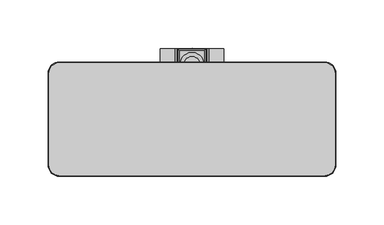
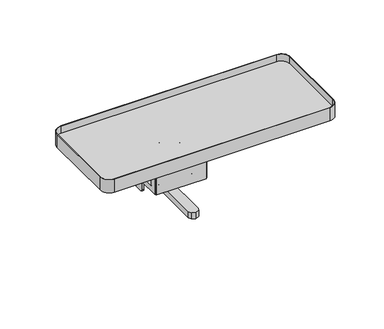
"""IFC4 building model written with IfcOpenShell, lengths in millimetres: furniture geometry."""

from ifc_helpers import new_model, si_unit, point, frame, frame_2d, origin, place, context, project, spatial, polyline, circle_curve, ellipse_curve, trimmed, segment, composite_curve, outline, extrude, source, transform, mapped, element, save
from ifc_brep_helpers import plane_surface, cylinder_surface, revolved_surface, advanced_brep


def furniture_89a75030(model_context):
    return source(origin(), model_context, "Body", "SolidModel", [
        extrude(outline(polyline([(534.3526016, 876.8341572), (536.054079, 873.8871119), (536.054079, 870.4841572), (534.3526016, 867.5371119), (531.4055563, 865.8356345), (528.0026016, 865.8356345), (525.0555563, 867.5371119), (523.354079, 870.4841572), (523.354079, 873.8871119), (525.0555563, 876.8341572), (528.0026016, 878.5356345), (531.4055563, 878.5356345), (534.3526016, 876.8341572)])), frame((0.0, 0.0, 981.2878959), z_axis=(0.0, 0.0, 1.0), x_axis=(1.0, 0.0, 0.0)), (0.0, 0.0, 1.0), 21.0640086),
        extrude(outline(polyline([(523.354079, 814.4464769), (523.354079, 877.9468656), (524.8439994, 881.5438517), (529.704079, 883.5569625), (534.5641586, 881.5438517), (536.054079, 877.9468656), (536.054079, 814.4464769), (534.5641586, 810.8494909), (529.704079, 808.83638), (524.8439994, 810.8494909), (523.354079, 814.4464769)])), frame((0.0, 0.0, 972.9618797), z_axis=(0.0, 0.0, 1.0), x_axis=(1.0, 0.0, 0.0)), (0.0, 0.0, 1.0), 8.3260161),
        advanced_brep(
        [(527.2728649, 866.9451421, 1028.4561643), (532.1300001, 866.9451421, 1028.4561643), (532.1300001, 866.9451421, 1027.2658445), (527.2728649, 866.9451421, 1027.2658445), (518.8007133, 866.9451421, 1028.4561643), (540.6021517, 866.9451421, 1028.4561643), (517.5078513, 866.9451421, 1037.2747882), (541.8950137, 866.9451421, 1037.2747882), (541.8950137, 866.9451421, 1029.7490263), (517.5078513, 866.9451421, 1029.7490263), (529.7014325, 866.9451421, 1041.4655546), (537.7042473, 866.9451421, 1041.4655546), (521.6986177, 866.9451421, 1041.4655546), (529.7014325, 866.9451421, 1027.2658445)],
        [
            (0, 1, circle_curve(frame((529.7014325, 866.9451421, 1028.4561643), z_axis=(0.0, 0.0, -1.0), x_axis=(1.0000000000000016, 0.0, 0.0)), 2.4285676)),
            (1, 2),
            (2, 3, circle_curve(frame((529.7014325, 866.9451421, 1027.2658445), z_axis=(0.0, 0.0, 1.0), x_axis=(1.0000000000000016, 0.0, 0.0)), 2.4285676)),
            (3, 0),
            (1, 0, circle_curve(frame((529.7014325, 866.9451421, 1028.4561643), z_axis=(0.0, 0.0, -1.0), x_axis=(1.0000000000000016, 0.0, 0.0)), 2.4285676)),
            (3, 2, circle_curve(frame((529.7014325, 866.9451421, 1027.2658445), z_axis=(0.0, 0.0, 1.0), x_axis=(1.0000000000000016, 0.0, 0.0)), 2.4285676)),
            (4, 5, circle_curve(frame((529.7014325, 866.9451421, 1028.4561643), z_axis=(0.0, 0.0, -1.0), x_axis=(1.0000000000000016, 0.0, 0.0)), 10.9007192)),
            (5, 1),
            (0, 4),
            (5, 4, circle_curve(frame((529.7014325, 866.9451421, 1028.4561643), z_axis=(0.0, 0.0, -1.0), x_axis=(1.0000000000000016, 0.0, 0.0)), 10.9007192)),
            (6, 7, circle_curve(frame((529.7014325, 866.9451421, 1037.2747882), z_axis=(0.0, 0.0, -1.0), x_axis=(1.0000000000000016, 0.0, 0.0)), 12.1935812)),
            (7, 8),
            (8, 9, circle_curve(frame((529.7014325, 866.9451421, 1029.7490263), z_axis=(0.0, 0.0, 1.0), x_axis=(1.0000000000000016, 0.0, 0.0)), 12.1935812)),
            (9, 6),
            (7, 6, circle_curve(frame((529.7014325, 866.9451421, 1037.2747882), z_axis=(0.0, 0.0, -1.0), x_axis=(1.0000000000000016, 0.0, 0.0)), 12.1935812)),
            (9, 8, circle_curve(frame((529.7014325, 866.9451421, 1029.7490263), z_axis=(0.0, 0.0, 1.0), x_axis=(1.0000000000000016, 0.0, 0.0)), 12.1935812)),
            (10, 11),
            (11, 12, circle_curve(frame((529.7014325, 866.9451421, 1041.4655546), z_axis=(0.0, 0.0, 1.0), x_axis=(1.0000000000000016, 0.0, 0.0)), 8.0028148)),
            (12, 10),
            (12, 11, circle_curve(frame((529.7014325, 866.9451421, 1041.4655546), z_axis=(0.0, 0.0, 1.0), x_axis=(1.0000000000000016, 0.0, 0.0)), 8.0028148)),
            (2, 13),
            (13, 3),
            (8, 5, circle_curve(frame((540.6021517, 866.9451421, 1029.7490263), z_axis=(0.0, 1.0000000000000016, 0.0), x_axis=(1.0000000000000016, 0.0, 0.0)), 1.292862)),
            (4, 9, circle_curve(frame((518.8007133, 866.9451421, 1029.7490263), z_axis=(0.0, 1.0000000000000016, 0.0), x_axis=(-1.0000000000000016, 0.0, 0.0)), 1.292862)),
            (11, 7, circle_curve(frame((537.7042473, 866.9451421, 1037.2747882), z_axis=(0.0, 1.0000000000000016, 0.0), x_axis=(1.0000000000000016, 0.0, 0.0)), 4.1907665)),
            (6, 12, circle_curve(frame((521.6986177, 866.9451421, 1037.2747882), z_axis=(0.0, 1.0000000000000016, 0.0), x_axis=(-1.0000000000000016, 0.0, 0.0)), 4.1907665)),
        ],
        [
            cylinder_surface(frame((529.7014325, 866.9451421, 1061.5832348), z_axis=(0.0, 0.0, 1.0), x_axis=(1.0000000000000016, 0.0, 0.0)), 2.4285676),
            plane_surface(frame((529.7014325, 866.9451421, 1028.4561643), z_axis=(0.0, 0.0, -1.0), x_axis=(1.0, 0.0, 0.0))),
            cylinder_surface(frame((529.7014325, 866.9451421, 1061.5832348), z_axis=(0.0, 0.0, 1.0), x_axis=(1.0000000000000016, 0.0, 0.0)), 12.1935812),
            plane_surface(frame((529.7014325, 866.9451421, 1041.4655546), z_axis=(0.0, 0.0, 1.0), x_axis=(1.0, 0.0, 0.0))),
            plane_surface(frame((529.7014325, 866.9451421, 1027.2658445), z_axis=(0.0, 0.0, -1.0), x_axis=(1.0, 0.0, 0.0))),
            revolved_surface(trimmed(ellipse_curve(frame((540.6021517, 866.9451421, 1029.7490263), z_axis=(0.0, -1.0000000000000016, 0.0), x_axis=(1.0000000000000016, 0.0, 0.0)), 1.292862, 1.292862), [point((540.6021517, 866.9451421, 1028.4561643))], [point((541.8950137, 866.9451421, 1029.7490263))], True, "CARTESIAN"), (529.7014325, 866.9451421, 1061.5832348), (0.0, 0.0, 1.0)),
            revolved_surface(trimmed(ellipse_curve(frame((537.7042473, 866.9451421, 1037.2747882), z_axis=(0.0, -1.0000000000000016, 0.0), x_axis=(1.0000000000000016, 0.0, 0.0)), 4.1907665, 4.1907665), [point((541.8950137, 866.9451421, 1037.2747882))], [point((537.7042473, 866.9451421, 1041.4655546))], True, "CARTESIAN"), (529.7014325, 866.9451421, 1061.5832348), (0.0, 0.0, 1.0)),
        ],
        [
            (0, [[1, 2, 3, 4]]),
            (0, [[5, -4, 6, -2]]),
            (1, [[7, 8, -1, 9]]),
            (1, [[10, -9, -5, -8]]),
            (2, [[11, 12, 13, 14]]),
            (2, [[15, -14, 16, -12]]),
            (3, [[17, 18, 19]]),
            (3, [[-19, 20, -17]]),
            (4, [[-3, 21, 22]]),
            (4, [[-6, -22, -21]]),
            (5, [[-13, 23, -7, 24]]),
            (5, [[-16, -24, -10, -23]]),
            (6, [[-18, 25, -11, 26]]),
            (6, [[-20, -26, -15, -25]]),
        ],
    ),
        advanced_brep(
        [(485.603641, 844.5201081, 1098.32775), (485.603641, 844.1597528, 1098.32775), (488.1695816, 795.1986989, 1098.32775), (507.9458637, 810.4407767, 1098.32775), (508.8174555, 835.3997695, 1098.32775), (510.2470137, 838.6622239, 1098.32775), (514.7660164, 840.2698211, 1098.32775), (516.9151013, 839.5801768, 1098.32775), (516.9372011, 840.2130323, 1098.32775), (517.1490705, 840.2130323, 1098.32775), (517.1490705, 851.1575897, 1098.32775), (491.9283771, 851.1575897, 1098.32775), (487.3222692, 849.1786517, 1098.32775), (573.8045169, 844.1597533, 1098.32775), (573.8045169, 844.5201081, 1098.32775), (572.0858887, 849.1786517, 1098.32775), (567.4797808, 851.1575897, 1098.32775), (542.265389, 851.1575897, 1098.32775), (542.265389, 840.2130323, 1098.32775), (542.4709568, 840.2130323, 1098.32775), (542.4930566, 839.5801768, 1098.32775), (544.6421405, 840.2698215, 1098.32775), (549.1611443, 838.6622239, 1098.32775), (550.5907025, 835.3997695, 1098.32775), (551.4622943, 810.4407767, 1098.32775), (571.2385764, 795.1986989, 1098.32775), (573.8045169, 844.1597533, 1086.9393735), (573.8045169, 844.5201081, 1086.9393735), (511.9635891, 883.1448413, 1004.560055), (514.6029708, 883.1448413, 1007.1994367), (514.6029708, 883.1448413, 1025.1207529), (544.8051871, 883.1448413, 1025.1207529), (544.8051871, 883.1448413, 1007.1994367), (547.4445689, 883.1448413, 1004.560055), (562.8804089, 883.1448413, 1004.560055), (562.8804089, 883.1448413, 983.3691126), (496.527749, 883.1448413, 983.3691126), (496.527749, 883.1448413, 1004.560055), (485.603641, 844.5201081, 1086.9393735), (485.603641, 844.1597528, 1086.9393735), (569.3544231, 787.5374049, 1088.7868386), (570.910493, 788.9384966, 1088.7379115), (570.910493, 788.9384966, 1094.9478319), (569.3544231, 787.5374049, 1094.9478319), (564.6025334, 787.7799742, 1088.7783679), (564.6025334, 787.7799742, 1094.9478319), (543.5144003, 810.3327891, 1087.9908081), (563.4600751, 787.9252907, 1094.9478319), (563.4600751, 787.9252907, 1092.7397656), (546.9859192, 798.838226, 1092.7397656), (546.9859192, 798.838226, 1094.9478319), (543.7515291, 807.7246389, 1094.9478319), (543.7515291, 807.7246389, 1092.7397656), (543.5144003, 810.3327891, 1092.7397656), (542.4709568, 840.2130323, 1086.9473693), (542.4930566, 839.5801768, 1092.7397656), (542.265389, 840.2130323, 1086.9473693), (516.9372011, 840.2130323, 1086.9473693), (517.1490705, 840.2130323, 1086.9473693), (516.9151013, 839.5801768, 1092.7397656), (515.8937576, 810.3327891, 1092.7397656), (515.8937576, 810.3327891, 1087.9908081), (494.8056245, 787.7799742, 1088.7783679), (515.6566288, 807.7246389, 1092.7397656), (515.6566288, 807.7246389, 1094.9478319), (512.4222388, 798.838226, 1094.9478319), (512.4222388, 798.838226, 1092.7397656), (495.9480829, 787.9252907, 1092.7397656), (495.9480829, 787.9252907, 1094.9478319), (494.8056245, 787.7799742, 1094.9478319), (490.0537349, 787.5374049, 1088.7868386), (490.0537349, 787.5374049, 1094.9478319), (488.4976649, 788.9384966, 1088.7379115), (488.4976649, 788.9384966, 1094.9478319), (485.7984801, 840.4420028, 1086.9393735), (488.3584524, 791.5948303, 1094.9478319), (488.3584524, 791.5948303, 1092.7397656), (488.1695816, 795.1986989, 1092.7397656), (573.6096779, 840.4420028, 1086.9393735), (571.2385764, 795.1986989, 1092.7397656), (571.0497056, 791.5948303, 1092.7397656), (571.0497056, 791.5948303, 1094.9478319), (516.7480625, 851.1575897, 1027.2658445), (530.5847576, 851.1575897, 1027.2658445), (542.6600954, 851.1575897, 1027.2658445), (542.6600954, 880.9997496, 1027.2658445), (516.7480625, 880.9997496, 1027.2658445), (572.0858887, 849.1786517, 1086.9393735), (569.2304089, 850.4054613, 1086.9393735), (567.4797808, 851.1575897, 1086.6932904), (487.3222692, 849.1786517, 1086.9393735), (491.9283771, 851.1575897, 1086.6932904), (490.177749, 850.4054613, 1086.9393735), (517.1490705, 851.1575897, 1074.9361696), (518.8644199, 851.1575897, 1070.8086459), (523.3400554, 851.1575897, 1068.9633263), (530.5847576, 851.1575897, 1068.9633263), (515.2312536, 851.1575897, 1026.6375617), (514.6029708, 851.1575897, 1025.1207529), (514.6029708, 851.1575897, 1007.1994367), (511.9635891, 851.1575897, 1004.560055), (498.3083774, 851.1575897, 1004.560055), (498.3083774, 851.1575897, 1080.3851486), (496.527749, 851.1575897, 1080.3851486), (496.527749, 851.1575897, 1080.5893735), (562.8804089, 851.1575897, 1080.5893735), (562.8804089, 851.1575897, 1080.3851486), (561.0997805, 851.1575897, 1080.3851486), (561.0997805, 851.1575897, 1004.560055), (547.4445689, 851.1575897, 1004.560055), (544.8051871, 851.1575897, 1007.1994367), (544.8051871, 851.1575897, 1025.1207529), (544.1769043, 851.1575897, 1026.6375617), (536.1028154, 851.1575897, 1068.9633263), (540.6032828, 851.1575897, 1070.8334808), (542.265389, 851.1575897, 1074.8643334), (517.1490705, 840.4420028, 1074.9361696), (517.1490705, 840.4420028, 1086.9393735), (490.177749, 840.4420028, 1086.9393735), (496.527749, 840.4420028, 1080.5893735), (496.527749, 840.4420028, 1080.3851486), (498.3083774, 840.4420028, 1080.3851486), (498.3083774, 840.4420028, 996.9512561), (561.0997805, 840.4420028, 996.9512561), (561.0997805, 840.4420028, 1080.3851486), (562.8804089, 840.4420028, 1080.3851486), (562.8804089, 840.4420028, 1080.5893735), (569.2304089, 840.4420028, 1086.9393735), (542.265389, 840.4420028, 1086.9393735), (542.265389, 840.4420028, 1074.8643334), (540.6032828, 840.4420028, 1070.8334808), (536.1028154, 840.4420028, 1068.9633263), (523.3400554, 840.4420028, 1068.9633263), (518.8644199, 840.4420028, 1070.8086459), (550.5907025, 835.3997695, 1092.7397656), (549.1611443, 838.6622239, 1092.7397656), (544.6421405, 840.2698215, 1092.7397656), (546.6323904, 807.9737129, 1092.7397656), (548.0309368, 806.3697717, 1092.7397656), (549.393243, 802.6268698, 1092.7397656), (549.3528846, 800.4992061, 1092.7397656), (562.4649726, 788.8757666, 1092.7397656), (563.0178496, 790.930817, 1092.7397656), (565.0034339, 791.6964952, 1092.7397656), (566.9949892, 791.5948303, 1092.7397656), (551.4622943, 810.4407767, 1092.7397656), (546.6323904, 807.9737129, 1094.9478319), (548.0309368, 806.3697717, 1094.9478319), (549.393243, 802.6268698, 1094.9478319), (549.3528846, 800.4992061, 1094.9478319), (562.4649726, 788.8757666, 1094.9478319), (563.0178496, 790.930817, 1094.9478319), (565.0034339, 791.6964952, 1094.9478319), (566.9949892, 791.5948303, 1094.9478319), (512.7757676, 807.9737129, 1094.9478319), (511.3772212, 806.3697717, 1094.9478319), (510.0149149, 802.6268698, 1094.9478319), (510.0552733, 800.4992061, 1094.9478319), (496.9431854, 788.8757666, 1094.9478319), (496.3903083, 790.930817, 1094.9478319), (494.404724, 791.6964952, 1094.9478319), (492.4131687, 791.5948303, 1094.9478319), (508.8174555, 835.3997695, 1092.7397656), (507.9458637, 810.4407767, 1092.7397656), (492.4131687, 791.5948303, 1092.7397656), (494.404724, 791.6964952, 1092.7397656), (496.3903083, 790.930817, 1092.7397656), (496.9431854, 788.8757666, 1092.7397656), (510.0552733, 800.4992061, 1092.7397656), (510.0149149, 802.6268698, 1092.7397656), (511.3772212, 806.3697717, 1092.7397656), (512.7757676, 807.9737129, 1092.7397656), (514.7660164, 840.2698211, 1092.7397656), (510.2470137, 838.6622239, 1092.7397656), (496.527749, 849.3769613, 1004.560055), (497.049283, 850.6360557, 1004.560055), (496.527749, 849.3769613, 1080.3851486), (496.527749, 873.1549726, 983.3691126), (496.527749, 870.978774, 985.5453112), (496.527749, 870.978774, 996.9512561), (496.527749, 842.2226312, 996.9512561), (496.527749, 842.2226312, 1080.3851486), (562.8804089, 842.2226312, 1080.3851486), (562.8804089, 842.2226312, 996.9512561), (562.8804089, 870.978774, 996.9512561), (562.8804089, 870.978774, 985.5453112), (562.8804089, 873.1549726, 983.3691126), (562.8804089, 849.3769613, 1004.560055), (562.8804089, 849.3769613, 1080.3851486), (499.2322662, 870.978774, 985.5453112), (499.2322662, 870.978774, 996.9512561), (560.1758917, 870.978774, 996.9512561), (560.1758917, 870.978774, 985.5453112), (519.6355392, 870.978774, 985.5453112), (519.6355392, 870.978774, 996.9512561), (516.0077561, 870.978774, 996.9512561), (516.0077561, 870.978774, 985.5453112), (539.0828719, 870.978774, 996.9512561), (539.0828719, 870.978774, 985.5453112), (543.4004019, 870.978774, 985.5453112), (543.4004019, 870.978774, 996.9512561), (539.0828719, 862.4035457, 996.9512561), (543.4004019, 862.4035457, 996.9512561), (560.1758917, 862.4035457, 996.9512561), (562.3588749, 840.9635368, 996.9512561), (497.049283, 840.9635368, 996.9512561), (499.2322662, 862.4035457, 996.9512561), (516.0077561, 862.4035457, 996.9512561), (519.6355392, 862.4035457, 996.9512561), (560.1758917, 873.1549726, 983.3691126), (560.1758917, 880.2208989, 983.3691126), (543.4004019, 880.2208989, 983.3691126), (543.4004019, 873.1549726, 983.3691126), (539.0828719, 873.1549726, 983.3691126), (539.0828719, 880.2208989, 983.3691126), (519.6355392, 880.2208989, 983.3691126), (519.6355392, 873.1549726, 983.3691126), (516.0077561, 873.1549726, 983.3691126), (516.0077561, 880.2208989, 983.3691126), (499.2322662, 880.2208989, 983.3691126), (499.2322662, 873.1549726, 983.3691126), (539.0828719, 862.4035457, 1002.3519045), (539.0828719, 880.2208989, 1002.3519045), (519.6355392, 880.2208989, 1002.3519045), (519.6355392, 862.4035457, 1002.3519045), (516.0077561, 862.4035457, 1002.3519045), (516.0077561, 880.2208989, 1002.3519045), (499.2322662, 880.2208989, 1002.3519045), (499.2322662, 862.4035457, 1002.3519045), (543.4004019, 880.2208989, 1002.3519045), (543.4004019, 862.4035457, 1002.3519045), (560.1758917, 862.4035457, 1002.3519045), (560.1758917, 880.2208989, 1002.3519045), (497.049283, 840.9635368, 1080.3851486), (497.049283, 850.6360557, 1080.3851486), (562.3588749, 850.6360557, 1004.560055), (562.3588749, 840.9635368, 1080.3851486), (562.3588749, 850.6360557, 1080.3851486), (544.1769043, 882.5165585, 1026.6375617), (515.2312536, 882.5165585, 1026.6375617)],
        [
            (0, 1),
            (1, 2),
            (2, 3, circle_curve(frame((488.3805469, 815.3756741, 1098.32775), z_axis=(0.0, 0.0, 1.0), x_axis=(-1.3720009129422355e-11, -1.0000000000000016, 0.0)), 20.178078)),
            (3, 4),
            (4, 5),
            (5, 6),
            (6, 7, circle_curve(frame((515.3858911, 838.5081532, 1098.32775), z_axis=(0.0, 0.0, -1.0), x_axis=(-1.3720009129422355e-11, -1.0000000000000016, 0.0)), 1.8675434)),
            (7, 8),
            (8, 9),
            (9, 10),
            (10, 11),
            (11, 12),
            (12, 0),
            (13, 14),
            (14, 15),
            (15, 16),
            (16, 17),
            (17, 18),
            (18, 19),
            (19, 20),
            (20, 21, circle_curve(frame((544.0222669, 838.5081532, 1098.32775), z_axis=(0.0, 0.0, -1.0), x_axis=(0.0, -1.0000000000000016, 0.0)), 1.8675434)),
            (21, 22),
            (22, 23),
            (23, 24),
            (24, 25, circle_curve(frame((571.027611, 815.3756741, 1098.32775), z_axis=(0.0, 0.0, 1.0), x_axis=(0.0, -1.0000000000000016, 0.0)), 20.178078)),
            (25, 13),
            (13, 26),
            (26, 27),
            (27, 14),
            (28, 29, circle_curve(frame((511.9635891, 883.1448413, 1007.1994367), z_axis=(-6.865064072769654e-12, -1.0, 0.0), x_axis=(1.0000000000000016, -6.865064072769664e-12, 0.0)), 2.6393817)),
            (29, 30),
            (30, 31),
            (31, 32),
            (32, 33, circle_curve(frame((547.4445689, 883.1448413, 1007.1994367), z_axis=(-6.865064072769654e-12, -1.0, 0.0), x_axis=(-1.0000000000000016, 6.865064072769664e-12, 0.0)), 2.6393817)),
            (33, 34),
            (34, 35),
            (35, 36),
            (36, 37),
            (37, 28),
            (0, 38),
            (38, 39),
            (39, 1),
            (40, 41, ellipse_curve(frame((569.3544231, 789.1020461, 1088.7322003), z_axis=(0.0, 0.03489941917567232, 0.9993908297263893), x_axis=(7.1374193433167536e-12, 0.9993908297263894, -0.03489941917567166)), 1.5655949, 1.5646412)),
            (41, 42),
            (42, 43, circle_curve(frame((569.3544231, 789.1020461, 1094.9478319), z_axis=(0.0, 0.0, -1.0), x_axis=(0.0, -1.0000000000000016, 0.0)), 1.5646412)),
            (43, 40),
            (44, 40),
            (43, 45),
            (45, 44),
            (46, 44, ellipse_curve(frame((566.9949932, 811.1527514, 1087.9621744), z_axis=(0.0, 0.03489941917567232, 0.9993908297263893), x_axis=(7.1374193433167536e-12, 0.9993908297263894, -0.03489941917567166)), 23.5092265, 23.4949054)),
            (45, 47, circle_curve(frame((566.9949932, 811.1527514, 1094.9478319), z_axis=(0.0, 0.0, -1.0), x_axis=(0.0, -1.0000000000000016, 0.0)), 23.4949054)),
            (47, 48),
            (48, 49, circle_curve(frame((566.9949932, 811.1527514, 1092.7397656), z_axis=(0.0, 0.0, -1.0), x_axis=(0.0, -1.0000000000000016, 0.0)), 23.4949054)),
            (49, 50),
            (50, 51, circle_curve(frame((566.9949932, 811.1527514, 1094.9478319), z_axis=(0.0, 0.0, -1.0), x_axis=(0.0, -1.0000000000000016, 0.0)), 23.4949054)),
            (51, 52),
            (52, 53, circle_curve(frame((566.9949932, 811.1527514, 1092.7397656), z_axis=(0.0, 0.0, -1.0), x_axis=(0.0, -1.0000000000000016, 0.0)), 23.4949054)),
            (53, 46),
            (19, 54),
            (54, 46),
            (53, 55),
            (55, 20),
            (18, 56),
            (56, 54),
            (8, 57),
            (57, 58),
            (58, 9),
            (7, 59),
            (59, 60),
            (60, 61),
            (61, 57),
            (62, 61, ellipse_curve(frame((492.4131647, 811.1527514, 1087.9621744), z_axis=(0.0, 0.03489941917567232, 0.9993908297263893), x_axis=(7.1374193433167536e-12, 0.9993908297263894, -0.03489941917567166)), 23.5092265, 23.4949054)),
            (60, 63, circle_curve(frame((492.4131647, 811.1527514, 1092.7397656), z_axis=(0.0, 0.0, -1.0), x_axis=(0.0, -1.0000000000000016, 0.0)), 23.4949054)),
            (63, 64),
            (64, 65, circle_curve(frame((492.4131647, 811.1527514, 1094.9478319), z_axis=(0.0, 0.0, -1.0), x_axis=(0.0, -1.0000000000000016, 0.0)), 23.4949054)),
            (65, 66),
            (66, 67, circle_curve(frame((492.4131647, 811.1527514, 1092.7397656), z_axis=(0.0, 0.0, -1.0), x_axis=(0.0, -1.0000000000000016, 0.0)), 23.4949054)),
            (67, 68),
            (68, 69, circle_curve(frame((492.4131647, 811.1527514, 1094.9478319), z_axis=(0.0, 0.0, -1.0), x_axis=(0.0, -1.0000000000000016, 0.0)), 23.4949054)),
            (69, 62),
            (70, 62),
            (69, 71),
            (71, 70),
            (72, 70, ellipse_curve(frame((490.0537349, 789.1020461, 1088.7322003), z_axis=(0.0, 0.03489941917567232, 0.9993908297263893), x_axis=(7.1374193433167536e-12, 0.9993908297263894, -0.03489941917567166)), 1.5655949, 1.5646412)),
            (71, 73, circle_curve(frame((490.0537349, 789.1020461, 1094.9478319), z_axis=(0.0, 0.0, -1.0), x_axis=(0.0, -1.0000000000000016, 0.0)), 1.5646412)),
            (73, 72),
            (74, 72),
            (73, 75),
            (75, 76),
            (76, 77),
            (77, 2),
            (39, 74),
            (41, 78),
            (78, 26),
            (25, 79),
            (79, 80),
            (80, 81),
            (81, 42),
            (82, 83),
            (83, 84),
            (84, 85),
            (85, 86),
            (86, 82),
            (15, 87),
            (87, 88),
            (88, 89, ellipse_curve(frame((569.2304089, 850.4054613, 1080.5893735), z_axis=(-0.39474350435296546, -0.9187913613934017, 0.0), x_axis=(0.9187913613934018, -0.3947435043529651, 0.0)), 6.9112535, 6.35)),
            (89, 16),
            (27, 87),
            (12, 90),
            (90, 38),
            (11, 91),
            (91, 92, ellipse_curve(frame((490.177749, 850.4054613, 1080.5893735), z_axis=(0.3947435043403511, -0.9187913613988212, 0.0), x_axis=(-0.9187913613988213, -0.3947435043403508, 0.0)), 6.9112535, 6.35)),
            (92, 90),
            (10, 93),
            (93, 94),
            (94, 95),
            (95, 96),
            (96, 83),
            (82, 97),
            (97, 98),
            (98, 99),
            (99, 100, circle_curve(frame((511.9635891, 851.1575897, 1007.1994367), z_axis=(6.865064072769654e-12, 1.0, 0.0), x_axis=(1.0000000000000016, -6.865064072769664e-12, 0.0)), 2.6393817)),
            (100, 101),
            (101, 102),
            (102, 103),
            (103, 104),
            (104, 91, circle_curve(frame((490.177749, 851.1575897, 1080.5893735), z_axis=(-6.865064072769654e-12, -1.0, 0.0), x_axis=(1.0000000000000016, -6.865064072769664e-12, 0.0)), 6.35)),
            (89, 105, circle_curve(frame((569.2304089, 851.1575897, 1080.5893735), z_axis=(-6.865064072769654e-12, -1.0, 0.0), x_axis=(-1.0000000000000016, 6.865064072769664e-12, 0.0)), 6.35)),
            (105, 106),
            (106, 107),
            (107, 108),
            (108, 109),
            (109, 110, circle_curve(frame((547.4445689, 851.1575897, 1007.1994367), z_axis=(6.865064072769654e-12, 1.0, 0.0), x_axis=(-1.0000000000000016, 6.865064072769664e-12, 0.0)), 2.6393817)),
            (110, 111),
            (111, 112),
            (112, 84),
            (96, 113),
            (113, 114),
            (114, 115),
            (115, 17),
            (116, 117),
            (117, 118),
            (118, 119, circle_curve(frame((490.177749, 840.4420028, 1080.5893735), z_axis=(6.865064072769654e-12, 1.0, 0.0), x_axis=(1.0000000000000016, -6.865064072769664e-12, 0.0)), 6.35)),
            (119, 120),
            (120, 121),
            (121, 122),
            (122, 123),
            (123, 124),
            (124, 125),
            (125, 126),
            (126, 127, circle_curve(frame((569.2304089, 840.4420028, 1080.5893735), z_axis=(6.865064072769654e-12, 1.0, 0.0), x_axis=(-1.0000000000000016, 6.865064072769664e-12, 0.0)), 6.35)),
            (127, 128),
            (128, 129),
            (129, 130),
            (130, 131),
            (131, 132),
            (132, 133),
            (133, 116),
            (56, 128),
            (127, 78),
            (74, 118),
            (117, 58),
            (116, 93),
            (115, 129),
            (133, 94),
            (132, 95),
            (131, 113),
            (130, 114),
            (134, 135),
            (135, 136),
            (136, 55, circle_curve(frame((544.0222669, 838.5081532, 1092.7397656), z_axis=(0.0, 0.0, 1.0), x_axis=(0.0, -1.0000000000000016, 0.0)), 1.8675434)),
            (52, 137),
            (137, 138),
            (138, 139),
            (139, 140),
            (140, 49),
            (48, 141),
            (141, 142),
            (142, 143),
            (143, 144),
            (144, 80),
            (79, 145, circle_curve(frame((571.027611, 815.3756741, 1092.7397656), z_axis=(0.0, 0.0, -1.0), x_axis=(0.0, -1.0000000000000016, 0.0)), 20.178078)),
            (145, 134),
            (134, 23),
            (22, 135),
            (21, 136),
            (51, 146),
            (146, 137),
            (146, 147),
            (147, 138),
            (147, 148),
            (148, 139),
            (148, 149),
            (149, 140),
            (149, 50),
            (47, 150),
            (150, 141),
            (150, 151),
            (151, 142),
            (151, 152),
            (152, 143),
            (152, 153),
            (153, 144),
            (153, 81),
            (64, 154),
            (154, 155),
            (155, 156),
            (156, 157),
            (157, 65),
            (68, 158),
            (158, 159),
            (159, 160),
            (160, 161),
            (161, 75),
            (24, 145),
            (162, 163),
            (163, 77, circle_curve(frame((488.3805469, 815.3756741, 1092.7397656), z_axis=(0.0, 0.0, -1.0), x_axis=(-1.3720009129422355e-11, -1.0000000000000016, 0.0)), 20.178078)),
            (76, 164),
            (164, 165),
            (165, 166),
            (166, 167),
            (167, 67),
            (66, 168),
            (168, 169),
            (169, 170),
            (170, 171),
            (171, 63),
            (59, 172, circle_curve(frame((515.3858911, 838.5081532, 1092.7397656), z_axis=(0.0, 0.0, 1.0), x_axis=(-1.3720009129422355e-11, -1.0000000000000016, 0.0)), 1.8675434)),
            (172, 173),
            (173, 162),
            (173, 5),
            (4, 162),
            (172, 6),
            (171, 154),
            (170, 155),
            (169, 156),
            (168, 157),
            (167, 158),
            (166, 159),
            (165, 160),
            (164, 161),
            (163, 3),
            (29, 99),
            (98, 30),
            (100, 28),
            (37, 174),
            (174, 175),
            (175, 101),
            (119, 104),
            (103, 176),
            (176, 174),
            (36, 177),
            (177, 178, circle_curve(frame((496.527749, 873.1549726, 985.5453112), z_axis=(-1.0, 6.865064072769654e-12, 0.0), x_axis=(0.0, 0.0, 1.0)), 2.1761986)),
            (178, 179),
            (179, 180),
            (180, 181),
            (181, 120),
            (118, 92),
            (105, 126),
            (125, 182),
            (182, 183),
            (183, 184),
            (184, 185),
            (185, 186, circle_curve(frame((562.8804089, 873.1549726, 985.5453112), z_axis=(1.0, -6.865064072769654e-12, 0.0), x_axis=(0.0, 0.0, 1.0)), 2.1761986)),
            (186, 35),
            (34, 187),
            (187, 188),
            (188, 106),
            (88, 127),
            (178, 189),
            (189, 190),
            (190, 179),
            (184, 191),
            (191, 192),
            (192, 185),
            (193, 194),
            (194, 195),
            (195, 196),
            (196, 193),
            (197, 198),
            (198, 199),
            (199, 200),
            (200, 197),
            (201, 197),
            (200, 202),
            (202, 203),
            (203, 191),
            (183, 204),
            (204, 123),
            (122, 205),
            (205, 180),
            (190, 206),
            (206, 207),
            (207, 195),
            (194, 208),
            (208, 201),
            (186, 209),
            (209, 210),
            (210, 211),
            (211, 212),
            (212, 213),
            (213, 214),
            (214, 215),
            (215, 216),
            (216, 217),
            (217, 218),
            (218, 219),
            (219, 220),
            (220, 177),
            (220, 189, circle_curve(frame((499.2322662, 873.1549726, 985.5453112), z_axis=(-1.0, 6.865064072769654e-12, 0.0), x_axis=(0.0, 0.0, 1.0)), 2.1761986)),
            (192, 209, circle_curve(frame((560.1758917, 873.1549726, 985.5453112), z_axis=(1.0, -6.865064072769654e-12, 0.0), x_axis=(0.0, 0.0, 1.0)), 2.1761986)),
            (216, 193, circle_curve(frame((519.6355392, 873.1549726, 985.5453112), z_axis=(-1.0, 6.865064072769654e-12, 0.0), x_axis=(0.0, 0.0, 1.0)), 2.1761986)),
            (196, 217, circle_curve(frame((516.0077561, 873.1549726, 985.5453112), z_axis=(1.0, -6.865064072769654e-12, 0.0), x_axis=(0.0, 0.0, 1.0)), 2.1761986)),
            (198, 213, circle_curve(frame((539.0828719, 873.1549726, 985.5453112), z_axis=(1.0, -6.865064072769654e-12, 0.0), x_axis=(0.0, 0.0, 1.0)), 2.1761986)),
            (212, 199, circle_curve(frame((543.4004019, 873.1549726, 985.5453112), z_axis=(-1.0, 6.865064072769654e-12, 0.0), x_axis=(0.0, 0.0, 1.0)), 2.1761986)),
            (221, 222),
            (222, 214),
            (201, 221),
            (223, 224),
            (224, 208),
            (215, 223),
            (224, 221),
            (222, 223),
            (225, 226),
            (226, 218),
            (207, 225),
            (227, 228),
            (228, 206),
            (219, 227),
            (228, 225),
            (226, 227),
            (229, 230),
            (230, 202),
            (211, 229),
            (231, 232),
            (232, 210),
            (203, 231),
            (230, 231),
            (232, 229),
            (233, 121),
            (181, 233),
            (205, 233),
            (234, 176),
            (102, 234),
            (234, 175),
            (110, 32),
            (31, 111),
            (33, 109),
            (108, 235),
            (235, 187),
            (236, 182),
            (124, 236),
            (236, 204),
            (237, 107),
            (188, 237),
            (235, 237),
            (112, 238),
            (238, 85),
            (31, 238),
            (238, 239),
            (239, 86),
            (30, 239),
            (239, 97),
        ],
        [
            plane_surface(frame((573.8045169, 883.1448413, 1098.32775), z_axis=(0.0, 0.0, 1.0), x_axis=(0.0, 1.0, 0.0))),
            plane_surface(frame((573.8045169, 781.5448413, 1098.32775), z_axis=(1.0, 0.0, 0.0), x_axis=(0.0, 0.0, -1.0))),
            plane_surface(frame((573.8045169, 883.1448413, 1098.32775), z_axis=(0.0, 1.0, 0.0), x_axis=(0.0, 0.0, -1.0))),
            plane_surface(frame((485.603641, 883.1448413, 1098.32775), z_axis=(-1.0, 0.0, 0.0), x_axis=(0.0, 0.0, -1.0))),
            cylinder_surface(frame((569.3544231, 789.1020461, 972.9618797), z_axis=(0.0, 0.0, -1.0), x_axis=(0.0, -1.0000000000000016, 0.0)), 1.5646412),
            plane_surface(frame((569.3544231, 787.5374049, 1098.32775), z_axis=(-0.0509805293978869, -0.998699647352652, 0.0), x_axis=(0.0, 0.0, -1.0))),
            cylinder_surface(frame((566.9949932, 811.1527514, 972.9618797), z_axis=(0.0, 0.0, -1.0), x_axis=(0.0, -1.0000000000000016, 0.0)), 23.4949054),
            plane_surface(frame((543.5144003, 810.3327891, 1098.32775), z_axis=(-0.999390824138735, -0.03489957918514207, 0.0), x_axis=(0.0, 0.0, -1.0))),
            plane_surface(frame((542.4709568, 840.2130323, 1098.32775), z_axis=(0.0, -1.0, 0.0), x_axis=(0.0, 0.0, -1.0))),
            plane_surface(frame((516.9372011, 840.2130323, 1098.32775), z_axis=(0.999390824138256, -0.03489957919886253, 0.0), x_axis=(0.0, 0.0, -1.0))),
            cylinder_surface(frame((492.4131647, 811.1527514, 972.9618797), z_axis=(0.0, 0.0, -1.0), x_axis=(0.0, -1.0000000000000016, 0.0)), 23.4949054),
            plane_surface(frame((494.8056245, 787.7799742, 1098.32775), z_axis=(0.05098052938417265, -0.998699647353352, 0.0), x_axis=(0.0, 0.0, -1.0))),
            cylinder_surface(frame((490.0537349, 789.1020461, 972.9618797), z_axis=(0.0, 0.0, -1.0), x_axis=(0.0, -1.0000000000000016, 0.0)), 1.5646412),
            plane_surface(frame((488.4976649, 788.9384966, 1098.32775), z_axis=(-0.9986295342547428, -0.052335965780289394, 0.0), x_axis=(0.0, 0.0, -1.0))),
            plane_surface(frame((573.8045169, 844.1597528, 1098.32775), z_axis=(0.9986295342844813, -0.052335965212844185, 0.0), x_axis=(0.0, 0.0, -1.0))),
            plane_surface(frame((567.4797808, 851.1575897, 1027.2658445), z_axis=(0.0, 0.0, 1.0), x_axis=(-0.9187913613934017, 0.39474350435296546, 0.0))),
            plane_surface(frame((567.4797808, 851.1575897, 1098.32775), z_axis=(0.39474350435296546, 0.9187913613934017, 0.0), x_axis=(0.0, 0.0, -1.0))),
            plane_surface(frame((572.0858887, 849.1786517, 1098.32775), z_axis=(0.9381912867911624, 0.3461171902537395, 0.0), x_axis=(0.0, 0.0, -1.0))),
            plane_surface(frame((485.603641, 844.5201081, 1098.32775), z_axis=(-0.9381912867864022, 0.3461171902666424, 0.0), x_axis=(0.0, 0.0, -1.0))),
            plane_surface(frame((487.3222692, 849.1786517, 1098.32775), z_axis=(-0.3947435043403511, 0.9187913613988212, 0.0), x_axis=(0.0, 0.0, -1.0))),
            plane_surface(frame((491.9283771, 851.1575897, 1098.32775), z_axis=(1.3719935075037032e-11, 1.0, 0.0), x_axis=(0.0, 0.0, -1.0))),
            plane_surface(frame((530.5847576, 851.1575897, 1098.32775), z_axis=(0.0, 1.0, 0.0), x_axis=(0.0, 0.0, -1.0))),
            plane_surface(frame((606.7280886, 840.4420028, 972.9618797), z_axis=(-6.865068220637533e-12, -1.0, 0.0), x_axis=(-1.0, 6.865068220637533e-12, 0.0))),
            plane_surface(frame((606.7280886, 840.4420028, 1086.9393735), z_axis=(0.0, -0.03489941917567232, -0.9993908297263893), x_axis=(-1.0, 6.86506822063753e-12, 0.0))),
            plane_surface(frame((517.1490705, 781.5448413, 1098.32775), z_axis=(1.0, -6.8645644724085725e-12, 0.0), x_axis=(6.8645644724085725e-12, 1.0, 0.0))),
            plane_surface(frame((542.265389, 781.5448413, 1074.8643334), z_axis=(-1.0, 6.864564472408571e-12, 0.0), x_axis=(6.864564472408571e-12, 1.0, 0.0))),
            plane_surface(frame((517.1490705, 781.5448413, 1074.9361696), z_axis=(0.9234301605570053, -6.357863222038614e-12, 0.3837665157014919), x_axis=(6.8645644724085725e-12, 1.0, 0.0))),
            plane_surface(frame((518.8644199, 781.5448413, 1070.8086459), z_axis=(0.3811755770865515, -2.662176668305705e-12, 0.9245026659954716), x_axis=(6.8645644724085725e-12, 1.0, 0.0))),
            plane_surface(frame((523.3400554, 781.5448413, 1068.9633263), z_axis=(0.0, 0.0, 1.0), x_axis=(6.8645644724085725e-12, 1.0, 0.0))),
            plane_surface(frame((536.1028154, 781.5448413, 1068.9633263), z_axis=(-0.38373400588138523, 2.5886466815574973e-12, 0.9234436705778134), x_axis=(6.864564472408571e-12, 1.0, 0.0))),
            plane_surface(frame((540.6032827, 781.5448413, 1070.8334808), z_axis=(-0.9244887542707884, 6.327421362892097e-12, 0.3812093168153764), x_axis=(6.864564472408571e-12, 1.0, 0.0))),
            plane_surface(frame((549.1611443, 838.6622239, 1092.7397656), z_axis=(0.0, 0.0, 1.0000000000000002), x_axis=(0.4013452917654016, -0.9159268293798063, 0.0))),
            plane_surface(frame((550.5907025, 835.3997695, 1098.32775), z_axis=(-0.9159268293798063, -0.4013452917654016, 0.0), x_axis=(0.0, 0.0, -1.0))),
            plane_surface(frame((549.1611443, 838.6622239, 1098.32775), z_axis=(-0.3351652768736788, -0.9421593480819423, 0.0), x_axis=(0.0, 0.0, -1.0))),
            plane_surface(frame((543.4080786, 807.6949448, 1098.32775), z_axis=(-0.08613684967553284, 0.9962833146891373, 0.0), x_axis=(0.0, 0.0, -1.0))),
            plane_surface(frame((546.6323904, 807.9737129, 1098.32775), z_axis=(0.7537171756299597, 0.6571989190194978, 0.0), x_axis=(0.0, 0.0, -1.0))),
            plane_surface(frame((548.0309368, 806.3697717, 1098.32775), z_axis=(0.9396925078215239, 0.34202045369260503, 0.0), x_axis=(0.0, 0.0, -1.0))),
            plane_surface(frame((549.393243, 802.6268698, 1098.32775), z_axis=(0.9998201481779339, -0.018965001910214288, 0.0), x_axis=(0.0, 0.0, -1.0))),
            plane_surface(frame((549.3528846, 800.4992061, 1098.32775), z_axis=(0.5744145435260927, -0.8185645559060755, 0.0), x_axis=(0.0, 0.0, -1.0))),
            plane_surface(frame((563.4600751, 787.9252907, 1098.32775), z_axis=(-0.6907058687708142, -0.7231358121719286, 0.0), x_axis=(0.0, 0.0, -1.0))),
            plane_surface(frame((562.4649726, 788.8757666, 1098.32775), z_axis=(-0.9656636033624647, 0.25979569885011655, 0.0), x_axis=(0.0, 0.0, -1.0))),
            plane_surface(frame((563.0178496, 790.930817, 1098.32775), z_axis=(-0.3597943211708735, 0.9330316427930998, 0.0), x_axis=(0.0, 0.0, -1.0))),
            plane_surface(frame((565.0034339, 791.6964952, 1098.32775), z_axis=(0.05098160884093895, 0.9986995922498364, 0.0), x_axis=(0.0, 0.0, -1.0))),
            plane_surface(frame((566.9949892, 791.5948303, 1098.32775), z_axis=(0.0, 1.0, 0.0), x_axis=(0.0, 0.0, -1.0))),
            revolved_surface(polyline([(544.0222669, 836.6406098, 1098.32775), (544.0222669, 836.6406098, 1092.7397656)]), (544.0222669, 838.5081532, 1092.7397656), (0.0, 0.0, 1.0)),
            plane_surface(frame((543.7515291, 807.7246389, 1094.9478319), z_axis=(0.0, 0.0, 1.0000000000000002), x_axis=(0.9962833146891372, 0.08613684967553482, 0.0))),
            plane_surface(frame((512.7757676, 807.9737129, 1094.9478319), z_axis=(0.0, 0.0, 1.0), x_axis=(0.6571989190298342, 0.7537171756209471, 0.0))),
            cylinder_surface(frame((571.027611, 815.3756741, 1092.7397656), z_axis=(0.0, 0.0, -1.0), x_axis=(0.0, -1.0000000000000016, 0.0)), 20.178078),
            plane_surface(frame((551.4622943, 810.4407767, 1098.32775), z_axis=(-0.9993908206536574, -0.03489967898433215, 0.0), x_axis=(0.0, 0.0, -1.0))),
            plane_surface(frame((508.8174555, 835.3997695, 1092.7397656), z_axis=(0.0, 0.0, 1.0000000000000002), x_axis=(0.03489967899805347, 0.9993908206531782, 0.0))),
            plane_surface(frame((510.2470137, 838.6622239, 1098.32775), z_axis=(0.9159268293742927, -0.40134529177798445, 0.0), x_axis=(0.0, 0.0, -1.0))),
            plane_surface(frame((514.7660164, 840.2698211, 1098.32775), z_axis=(0.3351652776273849, -0.9421593478138175, 0.0), x_axis=(0.0, 0.0, -1.0))),
            plane_surface(frame((512.7757676, 807.9737129, 1098.32775), z_axis=(0.08613684968923109, 0.9962833146879531, 0.0), x_axis=(0.0, 0.0, -1.0))),
            plane_surface(frame((511.3772212, 806.3697717, 1098.32775), z_axis=(-0.7537171756209435, 0.6571989190298382, 0.0), x_axis=(0.0, 0.0, -1.0))),
            plane_surface(frame((510.0149149, 802.6268698, 1098.32775), z_axis=(-0.9396925078168176, 0.3420204537055355, 0.0), x_axis=(0.0, 0.0, -1.0))),
            plane_surface(frame((510.0552733, 800.4992061, 1098.32775), z_axis=(-0.9998201481781938, -0.01896500189651384, 0.0), x_axis=(0.0, 0.0, -1.0))),
            plane_surface(frame((512.4222388, 798.838226, 1098.32775), z_axis=(-0.5744145435373291, -0.8185645558981905, 0.0), x_axis=(0.0, 0.0, -1.0))),
            plane_surface(frame((496.9431854, 788.8757666, 1098.32775), z_axis=(0.6907058687608816, -0.7231358121814159, 0.0), x_axis=(0.0, 0.0, -1.0))),
            plane_surface(frame((496.3903083, 790.930817, 1098.32775), z_axis=(0.9656636033660305, 0.2597956988368627, 0.0), x_axis=(0.0, 0.0, -1.0))),
            plane_surface(frame((494.404724, 791.6964952, 1098.32775), z_axis=(0.35979432118368043, 0.9330316427881611, 0.0), x_axis=(0.0, 0.0, -1.0))),
            plane_surface(frame((492.4131687, 791.5948303, 1098.32775), z_axis=(-0.05098160882722056, 0.9986995922505367, 0.0), x_axis=(0.0, 0.0, -1.0))),
            plane_surface(frame((488.3584524, 791.5948303, 1098.32775), z_axis=(1.3717921153051937e-11, 1.0, 0.0), x_axis=(0.0, 0.0, -1.0))),
            revolved_surface(polyline([(515.3858910999744, 836.6406098, 1098.32775), (515.3858910999744, 836.6406098, 1092.7397656)]), (515.3858911, 838.5081532, 1092.7397656), (0.0, 0.0, 1.0)),
            cylinder_surface(frame((488.3805469, 815.3756741, 1092.7397656), z_axis=(0.0, 0.0, -1.0), x_axis=(-1.3720009129422355e-11, -1.0000000000000016, 0.0)), 20.178078),
            plane_surface(frame((508.8174555, 835.3997695, 1098.32775), z_axis=(0.9993908206531782, -0.03489967899805347, 0.0), x_axis=(0.0, 0.0, -1.0))),
            plane_surface(frame((514.6029708, 851.1575897, 1007.1994367), z_axis=(-1.0, 6.865297123495112e-12, 0.0), x_axis=(6.865297123495112e-12, 1.0, 0.0))),
            plane_surface(frame((475.88132, 851.1575897, 1004.560055), z_axis=(0.0, 0.0, 1.0), x_axis=(6.865297123495113e-12, 1.0, 0.0))),
            plane_surface(frame((496.527749, 578.3448413, 972.9618797), z_axis=(-1.0, 6.865008561618424e-12, 0.0), x_axis=(6.865008561618424e-12, 1.0, 0.0))),
            revolved_surface(polyline([(496.5277489997069, 840.4420027999563, 1080.5893735), (496.527748999794, 853.1336337259744, 1080.5893735)]), (490.177749, 883.1448413, 1080.5893735), (-6.865064072769664e-12, -1.0000000000000016, 0.0)),
            plane_surface(frame((490.177749, 578.3448413, 1086.9393735), z_axis=(0.0, 0.0, -1.0), x_axis=(6.865008561618424e-12, 1.0, 0.0))),
            plane_surface(frame((562.8804089, 578.3448413, 1080.5893735), z_axis=(1.0, -6.865008561618424e-12, 0.0), x_axis=(6.865008561618424e-12, 1.0, 0.0))),
            revolved_surface(polyline([(562.8804088997068, 840.4420027999997, 1080.5893735), (562.880408899794, 853.1336337260615, 1080.5893735)]), (569.2304089, 883.1448413, 1080.5893735), (-6.865064072769664e-12, -1.0000000000000016, 0.0)),
            plane_surface(frame((573.8045169, 578.3448413, 1086.9393735), z_axis=(0.0, 0.0, -1.0), x_axis=(6.865008561618425e-12, 1.0, 0.0))),
            plane_surface(frame((606.7280886, 870.978774, 985.5453112), z_axis=(-6.865068220637536e-12, -1.0, 0.0), x_axis=(-1.0, 6.865068220637536e-12, 0.0))),
            plane_surface(frame((606.7280886, 870.978774, 996.9512561), z_axis=(0.0, 0.0, -1.0), x_axis=(-1.0, 6.865068220637533e-12, 0.0))),
            plane_surface(frame((606.7280886, 883.1448413, 983.3691126), z_axis=(0.0, 0.0, -1.0), x_axis=(-1.0, 6.865068220637536e-12, 0.0))),
            cylinder_surface(frame((438.6265068, 873.1549726, 985.5453112), z_axis=(-1.0000000000000016, 6.865064072769664e-12, 0.0), x_axis=(0.0, 0.0, 1.0)), 2.1761986),
            plane_surface(frame((539.0828719, 862.4035457, 1011.8932784), z_axis=(-1.0, 6.865064072769654e-12, 0.0), x_axis=(0.0, 0.0, -1.0))),
            plane_surface(frame((519.6355392, 862.4035457, 1011.8932784), z_axis=(1.0, -6.865064072769654e-12, 0.0), x_axis=(0.0, 0.0, 1.0))),
            plane_surface(frame((539.0828719, 862.4035457, 1002.3519045), z_axis=(6.865028474994505e-12, 1.0, 0.0), x_axis=(-1.0, 6.865028474994505e-12, 0.0))),
            plane_surface(frame((539.0828719, 880.2208989, 980.1432784), z_axis=(-6.865028474994505e-12, -1.0, 0.0), x_axis=(-1.0, 6.865028474994505e-12, 0.0))),
            plane_surface(frame((539.0828719, 880.2208989, 1002.3519045), z_axis=(0.0, 0.0, -1.0), x_axis=(-1.0, 6.865028474994505e-12, 0.0))),
            plane_surface(frame((516.0077561, 862.4035457, 1011.8932784), z_axis=(-1.0, 6.865064072769654e-12, 0.0), x_axis=(0.0, 0.0, -1.0))),
            plane_surface(frame((499.2322662, 862.4035457, 1011.8932784), z_axis=(1.0, -6.865064072769654e-12, 0.0), x_axis=(0.0, 0.0, 1.0))),
            plane_surface(frame((516.0077561, 862.4035457, 1002.3519045), z_axis=(6.865013565401834e-12, 1.0, 0.0), x_axis=(-1.0, 6.865013565401834e-12, 0.0))),
            plane_surface(frame((516.0077561, 880.2208989, 980.1432784), z_axis=(-6.865013565401834e-12, -1.0, 0.0), x_axis=(-1.0, 6.865013565401834e-12, 0.0))),
            plane_surface(frame((516.0077561, 880.2208989, 1002.3519045), z_axis=(0.0, 0.0, -1.0), x_axis=(-1.0, 6.865139640698807e-12, 0.0))),
            plane_surface(frame((543.4004019, 881.4535457, 1002.3519045), z_axis=(1.0, -6.864992575025538e-12, 0.0), x_axis=(6.864992575025538e-12, 1.0, 0.0))),
            plane_surface(frame((560.1758917, 881.4535457, 1002.3519045), z_axis=(-1.0, 6.864992575025538e-12, 0.0), x_axis=(-6.864992575025538e-12, -1.0, 0.0))),
            plane_surface(frame((543.4004019, 862.4035457, 980.1432784), z_axis=(6.865013565401834e-12, 1.0, 0.0), x_axis=(1.0, -6.865013565401834e-12, 0.0))),
            plane_surface(frame((543.4004019, 880.2208989, 1002.3519045), z_axis=(-6.864982046577591e-12, -1.0, 0.0), x_axis=(1.0, -6.864982046577591e-12, 0.0))),
            plane_surface(frame((543.4004019, 862.4035457, 1002.3519045), z_axis=(0.0, 0.0, -1.0), x_axis=(1.0, -6.865013565401834e-12, 0.0))),
            plane_surface(frame((496.527749, 842.2226312, 1080.3851486), z_axis=(0.0, 0.0, -1.0), x_axis=(-0.38268343236509234, 0.9238795325112857, 0.0))),
            plane_surface(frame((497.049283, 840.9635368, 1080.3851486), z_axis=(-0.9238795325112857, -0.38268343236509234, 0.0), x_axis=(0.0, 0.0, -1.0))),
            plane_surface(frame((498.3083774, 840.4420028, 1080.3851486), z_axis=(-0.3826834323650883, -0.9238795325112874, 0.0), x_axis=(0.0, 0.0, -1.0))),
            plane_surface(frame((498.3083774, 851.1575897, 1080.3851486), z_axis=(0.0, 0.0, -1.0000000000000002), x_axis=(0.9238795325112952, 0.38268343236506974, 0.0))),
            plane_surface(frame((496.527749, 849.3769613, 1080.3851486), z_axis=(-0.9238795325112786, 0.3826834323651099, 0.0), x_axis=(0.0, 0.0, -1.0))),
            plane_surface(frame((497.049283, 850.6360557, 1080.3851486), z_axis=(-0.38268343236506974, 0.9238795325112952, 0.0), x_axis=(0.0, 0.0, -1.0))),
            revolved_surface(polyline([(514.6029707997803, 851.1575896999818, 1007.1994367), (514.6029708, 883.1448413, 1007.1994367)]), (511.9635891, 883.1448413, 1007.1994367), (-6.865064072769664e-12, -1.0000000000000016, 0.0)),
            plane_surface(frame((544.8051871, 851.1575897, 1033.2009031), z_axis=(1.0, -6.865297123495113e-12, 0.0), x_axis=(6.865297123495113e-12, 1.0, 0.0))),
            plane_surface(frame((547.4445689, 851.1575897, 1004.560055), z_axis=(0.0, 0.0, 1.0), x_axis=(6.865297123495113e-12, 1.0, 0.0))),
            revolved_surface(polyline([(544.8051871997803, 851.1575896999999, 1007.1994367), (544.8051872, 883.1448413000181, 1007.1994367)]), (547.4445689, 883.1448413, 1007.1994367), (-6.865064072769664e-12, -1.0000000000000016, 0.0)),
            plane_surface(frame((561.0997805, 840.4420028, 1080.3851486), z_axis=(0.0, 0.0, -1.0), x_axis=(-0.9238795325165402, -0.382683432352407, 0.0))),
            plane_surface(frame((562.8804089, 842.2226312, 1080.3851486), z_axis=(0.9238795325060072, -0.382683432377836, 0.0), x_axis=(0.0, 0.0, -1.0))),
            plane_surface(frame((562.3588749, 840.9635368, 1080.3851486), z_axis=(0.382683432352407, -0.9238795325165402, 0.0), x_axis=(0.0, 0.0, -1.0))),
            plane_surface(frame((562.8804089, 849.3769613, 1080.3851486), z_axis=(0.0, 0.0, -1.0000000000000002), x_axis=(0.3826834323523975, -0.9238795325165442, 0.0))),
            plane_surface(frame((562.3588749, 850.6360557, 1080.3851486), z_axis=(0.9238795325165442, 0.3826834323523975, 0.0), x_axis=(0.0, 0.0, -1.0))),
            plane_surface(frame((561.0997805, 851.1575897, 1080.3851486), z_axis=(0.382683432377755, 0.9238795325060406, 0.0), x_axis=(0.0, 0.0, -1.0))),
            plane_surface(frame((542.6600954, 851.1575897, 1027.2658445), z_axis=(0.38268343236508723, 0.0, 0.9238795325112878), x_axis=(0.0, 1.0, 0.0))),
            plane_surface(frame((544.1769043, 851.1575897, 1026.6375617), z_axis=(0.9238795325112874, 0.0, 0.3826834323650882), x_axis=(0.0, 1.0, 0.0))),
            plane_surface(frame((542.6600954, 880.9997496, 1027.2658445), z_axis=(0.0, 0.38268343236508723, 0.9238795325112878), x_axis=(-1.0, 0.0, 0.0))),
            plane_surface(frame((544.1769043, 882.5165585, 1026.6375617), z_axis=(0.0, 0.9238795325112874, 0.3826834323650882), x_axis=(-1.0, 0.0, 0.0))),
            plane_surface(frame((516.7480625, 880.9997496, 1027.2658445), z_axis=(-0.38268343236508723, 0.0, 0.9238795325112878), x_axis=(0.0, -1.0, 0.0))),
            plane_surface(frame((515.2312536, 882.5165585, 1026.6375617), z_axis=(-0.9238795325112874, 0.0, 0.3826834323650882), x_axis=(0.0, -1.0, 0.0))),
        ],
        [
            (0, [[1, 2, 3, 4, 5, 6, 7, 8, 9, 10, 11, 12, 13]]),
            (0, [[14, 15, 16, 17, 18, 19, 20, 21, 22, 23, 24, 25, 26]]),
            (1, [[-14, 27, 28, 29]]),
            (2, [[30, 31, 32, 33, 34, 35, 36, 37, 38, 39]]),
            (3, [[-1, 40, 41, 42]]),
            (4, [[43, 44, 45, 46]]),
            (5, [[47, -46, 48, 49]]),
            (6, [[50, -49, 51, 52, 53, 54, 55, 56, 57, 58]]),
            (7, [[59, 60, -58, 61, 62, -20]]),
            (8, [[-59, -19, 63, 64]]),
            (8, [[65, 66, 67, -9]]),
            (9, [[-65, -8, 68, 69, 70, 71]]),
            (10, [[72, -70, 73, 74, 75, 76, 77, 78, 79, 80]]),
            (11, [[81, -80, 82, 83]]),
            (12, [[84, -83, 85, 86]]),
            (13, [[87, -86, 88, 89, 90, 91, -2, -42, 92]]),
            (14, [[93, 94, -27, -26, 95, 96, 97, 98, -44]]),
            (15, [[99, 100, 101, 102, 103]]),
            (16, [[-16, 104, 105, 106, 107]]),
            (17, [[-15, -29, 108, -104]]),
            (18, [[-13, 109, 110, -40]]),
            (19, [[-12, 111, 112, 113, -109]]),
            (20, [[-11, 114, 115, 116, 117, 118, -99, 119, 120, 121, 122, 123, 124, 125, 126, 127, -111]]),
            (21, [[-17, -107, 128, 129, 130, 131, 132, 133, 134, 135, 136, -100, -118, 137, 138, 139, 140]]),
            (22, [[141, 142, 143, 144, 145, 146, 147, 148, 149, 150, 151, 152, 153, 154, 155, 156, 157, 158]]),
            (23, [[-43, -47, -50, -60, -64, 159, -152, 160, -93]]),
            (23, [[-71, -72, -81, -84, -87, 161, -142, 162, -66]]),
            (24, [[163, -114, -10, -67, -162, -141]]),
            (25, [[164, -153, -159, -63, -18, -140]]),
            (26, [[-163, -158, 165, -115]]),
            (27, [[-165, -157, 166, -116]]),
            (28, [[-166, -156, 167, -137, -117]]),
            (29, [[-167, -155, 168, -138]]),
            (30, [[-164, -139, -168, -154]]),
            (31, [[169, 170, 171, -61, -57, 172, 173, 174, 175, 176, -53, 177, 178, 179, 180, 181, -96, 182, 183]]),
            (32, [[-169, 184, -23, 185]]),
            (33, [[-170, -185, -22, 186]]),
            (34, [[-172, -56, 187, 188]]),
            (35, [[-173, -188, 189, 190]]),
            (36, [[-174, -190, 191, 192]]),
            (37, [[-175, -192, 193, 194]]),
            (38, [[-176, -194, 195, -54]]),
            (39, [[-177, -52, 196, 197]]),
            (40, [[-178, -197, 198, 199]]),
            (41, [[-179, -199, 200, 201]]),
            (42, [[-180, -201, 202, 203]]),
            (43, [[-181, -203, 204, -97]]),
            (44, [[-186, -21, -62, -171]]),
            (45, [[-45, -98, -204, -202, -200, -198, -196, -51, -48]]),
            (45, [[-55, -195, -193, -191, -189, -187]]),
            (46, [[-75, 205, 206, 207, 208, 209]]),
            (46, [[-82, -79, 210, 211, 212, 213, 214, -88, -85]]),
            (47, [[-182, -95, -25, 215]]),
            (48, [[-183, -215, -24, -184]]),
            (49, [[216, 217, -90, 218, 219, 220, 221, 222, -77, 223, 224, 225, 226, 227, -73, -69, 228, 229, 230]]),
            (50, [[-230, 231, -5, 232]]),
            (51, [[-229, 233, -6, -231]]),
            (52, [[234, -205, -74, -227]]),
            (53, [[-226, 235, -206, -234]]),
            (54, [[-225, 236, -207, -235]]),
            (55, [[-224, 237, -208, -236]]),
            (56, [[-223, -76, -209, -237]]),
            (57, [[-222, 238, -210, -78]]),
            (58, [[-221, 239, -211, -238]]),
            (59, [[-220, 240, -212, -239]]),
            (60, [[-219, 241, -213, -240]]),
            (61, [[-218, -89, -214, -241]]),
            (62, [[-233, -228, -68, -7]]),
            (63, [[-217, 242, -3, -91]]),
            (64, [[-216, -232, -4, -242]]),
            (65, [[243, -121, 244, -31]]),
            (66, [[245, -39, 246, 247, 248, -123]]),
            (67, [[249, -126, 250, 251, -246, -38, 252, 253, 254, 255, 256, 257, -144]]),
            (68, [[-249, -143, 258, -112, -127]]),
            (69, [[-258, -161, -92, -41, -110, -113]]),
            (70, [[259, -150, 260, 261, 262, 263, 264, 265, -36, 266, 267, 268, -129]]),
            (71, [[-259, -128, -106, 269, -151]]),
            (72, [[-269, -105, -108, -28, -94, -160]]),
            (73, [[-254, 270, 271, 272]]),
            (73, [[-263, 273, 274, 275]]),
            (73, [[276, 277, 278, 279]]),
            (73, [[280, 281, 282, 283]]),
            (74, [[284, -283, 285, 286, 287, -273, -262, 288, 289, -147, 290, 291, -255, -272, 292, 293, 294, -277, 295, 296]]),
            (75, [[-37, -265, 297, 298, 299, 300, 301, 302, 303, 304, 305, 306, 307, 308, 309, -252]]),
            (76, [[-253, -309, 310, -270]]),
            (76, [[-264, -275, 311, -297]]),
            (76, [[312, -279, 313, -305]]),
            (76, [[314, -301, 315, -281]]),
            (77, [[316, 317, -302, -314, -280, -284, 318]]),
            (78, [[319, 320, -295, -276, -312, -304, 321]]),
            (79, [[322, -318, -296, -320]]),
            (80, [[323, -321, -303, -317]]),
            (81, [[-316, -322, -319, -323]]),
            (82, [[324, 325, -306, -313, -278, -294, 326]]),
            (83, [[327, 328, -292, -271, -310, -308, 329]]),
            (84, [[330, -326, -293, -328]]),
            (85, [[331, -329, -307, -325]]),
            (86, [[-324, -330, -327, -331]]),
            (87, [[332, 333, -285, -282, -315, -300, 334]]),
            (88, [[335, 336, -298, -311, -274, -287, 337]]),
            (89, [[338, -337, -286, -333]]),
            (90, [[339, -334, -299, -336]]),
            (91, [[-332, -339, -335, -338]]),
            (92, [[340, -145, -257, 341]]),
            (93, [[-341, -256, -291, 342]]),
            (94, [[-340, -342, -290, -146]]),
            (95, [[343, -250, -125, 344]]),
            (96, [[-343, 345, -247, -251]]),
            (97, [[-344, -124, -248, -345]]),
            (98, [[-122, -243, -30, -245]]),
            (99, [[346, -33, 347, -134]]),
            (100, [[348, -132, 349, 350, -266, -35]]),
            (101, [[-133, -348, -34, -346]]),
            (102, [[351, -260, -149, 352]]),
            (103, [[-351, 353, -288, -261]]),
            (104, [[-352, -148, -289, -353]]),
            (105, [[354, -130, -268, 355]]),
            (106, [[-355, -267, -350, 356]]),
            (107, [[-354, -356, -349, -131]]),
            (108, [[-136, 357, 358, -101]]),
            (109, [[-135, -347, 359, -357]]),
            (110, [[-358, 360, 361, -102]]),
            (111, [[-359, -32, 362, -360]]),
            (112, [[-361, 363, -119, -103]]),
            (113, [[-362, -244, -120, -363]]),
        ],
    ),
        extrude(outline(composite_curve([segment(polyline([(678.167079, 857.6327082), (678.167079, 762.1795082)]), True, "CONTINUOUS"), segment(trimmed(circle_curve(frame_2d((667.372079, 762.1795082)), 10.795), [point((678.167079, 762.1795082))], [point((667.372079, 751.3845082))], False, "CARTESIAN"), True, "CONTINUOUS"), segment(polyline([(667.372079, 751.3845082), (392.036079, 751.3845082)]), True, "CONTINUOUS"), segment(trimmed(circle_curve(frame_2d((392.036079, 762.1795082)), 10.795), [point((392.036079, 751.3845082))], [point((381.241079, 762.1795082))], False, "CARTESIAN"), True, "CONTINUOUS"), segment(polyline([(381.241079, 762.1795082), (381.241079, 857.6327082)]), True, "CONTINUOUS"), segment(trimmed(circle_curve(frame_2d((392.036079, 857.6327082)), 10.795), [point((381.241079, 857.6327082))], [point((392.036079, 868.4277082))], False, "CARTESIAN"), True, "CONTINUOUS"), segment(polyline([(392.036079, 868.4277082), (667.372079, 868.4277082)]), True, "CONTINUOUS"), segment(trimmed(circle_curve(frame_2d((667.372079, 857.6327082)), 10.795), [point((667.372079, 868.4277082))], [point((678.167079, 857.6327082))], False, "CARTESIAN"), True, "CONTINUOUS")], self_intersect=False)), frame((0.0, 0.0, 1098.32775), z_axis=(0.0, 0.0, 1.0), x_axis=(1.0, 0.0, 0.0)), (0.0, 0.0, 1.0), 2.032),
        extrude(outline(composite_curve([segment(polyline([(380.4592756, 762.1795082), (380.4592756, 857.6327082)]), True, "CONTINUOUS"), segment(trimmed(circle_curve(frame_2d((392.036079, 857.6327082)), 11.5768034), [point((380.4592756, 857.6327082))], [point((392.036079, 869.2095116))], False, "CARTESIAN"), True, "CONTINUOUS"), segment(polyline([(392.036079, 869.2095116), (667.372079, 869.2095116)]), True, "CONTINUOUS"), segment(trimmed(circle_curve(frame_2d((667.372079, 857.6327082)), 11.5768034), [point((667.372079, 869.2095116))], [point((678.9488823, 857.6327082))], False, "CARTESIAN"), True, "CONTINUOUS"), segment(polyline([(678.9488823, 857.6327082), (678.9488823, 762.1795082)]), True, "CONTINUOUS"), segment(trimmed(circle_curve(frame_2d((667.372079, 762.1795082)), 11.5768034), [point((678.9488823, 762.1795082))], [point((667.372079, 750.6027049))], False, "CARTESIAN"), True, "CONTINUOUS"), segment(polyline([(667.372079, 750.6027049), (392.036079, 750.6027049)]), True, "CONTINUOUS"), segment(trimmed(circle_curve(frame_2d((392.036079, 762.1795082)), 11.5768034), [point((392.036079, 750.6027049))], [point((380.4592756, 762.1795082))], False, "CARTESIAN"), True, "CONTINUOUS")], self_intersect=False), holes=[composite_curve([segment(polyline([(667.372079, 868.4277082), (392.036079, 868.4277082)]), True, "CONTINUOUS"), segment(trimmed(circle_curve(frame_2d((392.036079, 857.6327082)), 10.795), [point((392.036079, 868.4277082))], [point((381.241079, 857.6327082))], True, "CARTESIAN"), True, "CONTINUOUS"), segment(polyline([(381.241079, 857.6327082), (381.241079, 762.1795082)]), True, "CONTINUOUS"), segment(trimmed(circle_curve(frame_2d((392.036079, 762.1795082)), 10.795), [point((381.241079, 762.1795082))], [point((392.036079, 751.3845082))], True, "CARTESIAN"), True, "CONTINUOUS"), segment(polyline([(392.036079, 751.3845082), (667.372079, 751.3845082)]), True, "CONTINUOUS"), segment(trimmed(circle_curve(frame_2d((667.372079, 762.1795082)), 10.795), [point((667.372079, 751.3845082))], [point((678.167079, 762.1795082))], True, "CARTESIAN"), True, "CONTINUOUS"), segment(polyline([(678.167079, 762.1795082), (678.167079, 857.6327082)]), True, "CONTINUOUS"), segment(trimmed(circle_curve(frame_2d((667.372079, 857.6327082)), 10.795), [point((678.167079, 857.6327082))], [point((667.372079, 868.4277082))], True, "CARTESIAN"), True, "CONTINUOUS")], self_intersect=False)]), frame((0.0, 0.0, 1092.2), z_axis=(0.0, 0.0, 1.0), x_axis=(1.0, 0.0, 0.0)), (0.0, 0.0, 1.0), 17.4752),
    ])


if __name__ == "__main__":
    model = new_model("IFC4")
    model_context = context("Model", 3, world=origin())
    ifc_project = project(units=[si_unit("LENGTHUNIT", "METRE", prefix="MILLI")], contexts=[model_context])
    site = spatial("IfcSite", under=ifc_project)
    building = spatial("IfcBuilding", under=site)
    placement = place(None, origin())
    furniture_shape = furniture_89a75030(model_context)
    element("IfcFurniture", 1, at=placement, inside=building, context=model_context, shape_type="MappedRepresentation", body=[
        mapped(furniture_shape, transform((0.0, 0.0, 0.0), x_axis=(1.0, 0.0, 0.0), y_axis=(0.0, 1.0, 0.0), z_axis=(0.0, 0.0, 1.0))),
    ])
    save(model, "model.ifc")
